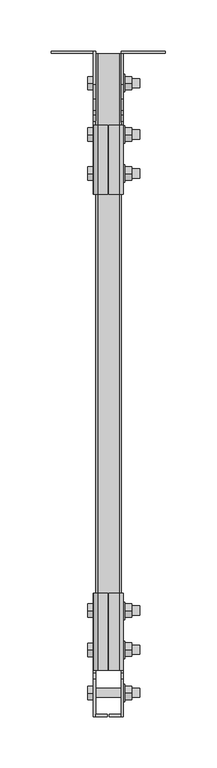
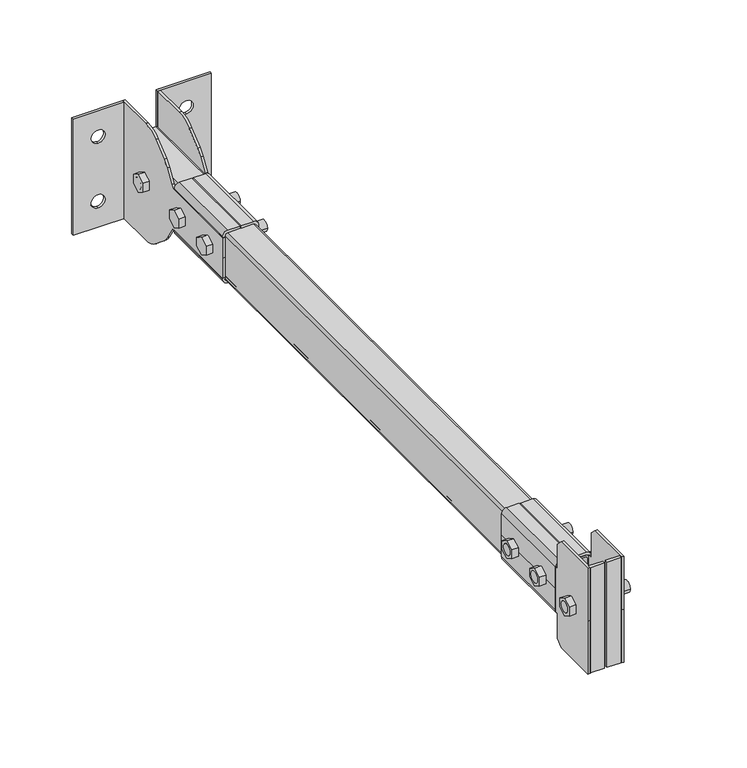
"""IFC4 building model written with IfcOpenShell, lengths in millimetres: proxy geometry."""

from ifc_helpers import new_model, si_unit, point, frame, frame_2d, origin, place, context, project, spatial, polyline, circle_curve, trimmed, segment, composite_curve, outline, extrude, source, transform, mapped, element, save


def generic_models_f2a655a5(model_context):
    return source(origin(), model_context, "Body", "SweptSolid", [
        extrude(outline(composite_curve([segment(trimmed(circle_curve(frame_2d((-544.5190981, 0.0)), 8.5), [point((-553.0190981, 0.0))], [point((-536.0190981, 0.0))], False, "CARTESIAN"), True, "CONTINUOUS"), segment(trimmed(circle_curve(frame_2d((-544.5190981, 0.0)), 8.5), [point((-536.0190981, 0.0))], [point((-553.0190981, 0.0))], False, "CARTESIAN"), True, "CONTINUOUS")], self_intersect=False)), frame((14.5, 0.0, 0.0), z_axis=(1.0, 0.0, 0.0), x_axis=(0.0, 1.0, 0.0)), (0.0, 0.0, 1.0), 1.6),
        extrude(outline(composite_curve([segment(trimmed(circle_curve(frame_2d((-582.4878481, 0.0)), 8.5), [point((-590.9878481, 0.0))], [point((-573.9878481, 0.0))], False, "CARTESIAN"), True, "CONTINUOUS"), segment(trimmed(circle_curve(frame_2d((-582.4878481, 0.0)), 8.5), [point((-573.9878481, 0.0))], [point((-590.9878481, 0.0))], False, "CARTESIAN"), True, "CONTINUOUS")], self_intersect=False)), frame((14.5, 0.0, 0.0), z_axis=(1.0, 0.0, 0.0), x_axis=(0.0, 1.0, 0.0)), (0.0, 0.0, 1.0), 1.6),
        extrude(outline(composite_curve([segment(trimmed(circle_curve(frame_2d((-624.4837978, 0.0)), 8.5), [point((-632.9837978, 0.0))], [point((-615.9837978, 0.0))], False, "CARTESIAN"), True, "CONTINUOUS"), segment(trimmed(circle_curve(frame_2d((-624.4837978, 0.0)), 8.5), [point((-615.9837978, 0.0))], [point((-632.9837978, 0.0))], False, "CARTESIAN"), True, "CONTINUOUS")], self_intersect=False)), frame((14.5, 0.0, 0.0), z_axis=(1.0, 0.0, 0.0), x_axis=(0.0, 1.0, 0.0)), (0.0, 0.0, 1.0), 1.6),
        extrude(outline(polyline([(-550.7114038, 3.7527767), (-544.2114038, 7.5055535), (-537.7114038, 3.7527767), (-537.7114038, -3.7527767), (-544.2114038, -7.5055535), (-550.7114038, -3.7527767), (-550.7114038, 3.7527767)])), frame((16.1, 0.0, 0.0), z_axis=(1.0, 0.0, 0.0), x_axis=(0.0, 1.0, 0.0)), (0.0, 0.0, 1.0), 6.5),
        extrude(outline(polyline([(-588.8364038, 3.7527767), (-582.3364038, 7.5055535), (-575.8364038, 3.7527767), (-575.8364038, -3.7527767), (-582.3364038, -7.5055535), (-588.8364038, -3.7527767), (-588.8364038, 3.7527767)])), frame((16.1, 0.0, 0.0), z_axis=(1.0, 0.0, 0.0), x_axis=(0.0, 1.0, 0.0)), (0.0, 0.0, 1.0), 6.5),
        extrude(outline(polyline([(-630.9131294, 3.7527767), (-624.4131294, 7.5055535), (-617.9131294, 3.7527767), (-617.9131294, -3.7527767), (-624.4131294, -7.5055535), (-630.9131294, -3.7527767), (-630.9131294, 3.7527767)])), frame((16.1, 0.0, 0.0), z_axis=(1.0, 0.0, 0.0), x_axis=(0.0, 1.0, 0.0)), (0.0, 0.0, 1.0), 6.5),
        extrude(outline(composite_curve([segment(trimmed(circle_curve(frame_2d((-544.3267454, 0.0)), 4.515429), [point((-548.8421745, 0.0))], [point((-539.8113164, 0.0))], False, "CARTESIAN"), True, "CONTINUOUS"), segment(trimmed(circle_curve(frame_2d((-544.3267454, 0.0)), 4.515429), [point((-539.8113164, 0.0))], [point((-548.8421745, 0.0))], False, "CARTESIAN"), True, "CONTINUOUS")], self_intersect=False)), frame((-20.0, 0.0, 0.0), z_axis=(1.0, 0.0, 0.0), x_axis=(0.0, 1.0, 0.0)), (0.0, 0.0, 1.0), 50.5),
        extrude(outline(composite_curve([segment(trimmed(circle_curve(frame_2d((-582.4517454, 0.0)), 4.515429), [point((-586.9671745, 0.0))], [point((-577.9363164, 0.0))], False, "CARTESIAN"), True, "CONTINUOUS"), segment(trimmed(circle_curve(frame_2d((-582.4517454, 0.0)), 4.515429), [point((-577.9363164, 0.0))], [point((-586.9671745, 0.0))], False, "CARTESIAN"), True, "CONTINUOUS")], self_intersect=False)), frame((-20.0, 0.0, 0.0), z_axis=(1.0, 0.0, 0.0), x_axis=(0.0, 1.0, 0.0)), (0.0, 0.0, 1.0), 50.5),
        extrude(outline(composite_curve([segment(trimmed(circle_curve(frame_2d((-624.3579954, 0.0)), 4.515429), [point((-628.8734245, 0.0))], [point((-619.8425664, 0.0))], False, "CARTESIAN"), True, "CONTINUOUS"), segment(trimmed(circle_curve(frame_2d((-624.3579954, 0.0)), 4.515429), [point((-619.8425664, 0.0))], [point((-628.8734245, 0.0))], False, "CARTESIAN"), True, "CONTINUOUS")], self_intersect=False)), frame((-20.0, 0.0, 0.0), z_axis=(1.0, 0.0, 0.0), x_axis=(0.0, 1.0, 0.0)), (0.0, 0.0, 1.0), 50.5),
        extrude(outline(polyline([(-550.7114038, 3.7527767), (-544.2114038, 7.5055535), (-537.7114038, 3.7527767), (-537.7114038, -3.7527767), (-544.2114038, -7.5055535), (-550.7114038, -3.7527767), (-550.7114038, 3.7527767)])), frame((-20.0, 0.0, 0.0), z_axis=(1.0, 0.0, 0.0), x_axis=(0.0, 1.0, 0.0)), (0.0, 0.0, 1.0), 5.5),
        extrude(outline(polyline([(-589.1489038, 3.7527767), (-582.6489038, 7.5055535), (-576.1489038, 3.7527767), (-576.1489038, -3.7527767), (-582.6489038, -7.5055535), (-589.1489038, -3.7527767), (-589.1489038, 3.7527767)])), frame((-20.0, 0.0, 0.0), z_axis=(1.0, 0.0, 0.0), x_axis=(0.0, 1.0, 0.0)), (0.0, 0.0, 1.0), 5.5),
        extrude(outline(polyline([(-631.0693794, 3.7527767), (-624.5693794, 7.5055535), (-618.0693794, 3.7527767), (-618.0693794, -3.7527767), (-624.5693794, -7.5055535), (-631.0693794, -3.7527767), (-631.0693794, 3.7527767)])), frame((-20.0, 0.0, 0.0), z_axis=(1.0, 0.0, 0.0), x_axis=(0.0, 1.0, 0.0)), (0.0, 0.0, 1.0), 5.5),
        extrude(outline(polyline([(-647.4951628, 45.0), (-610.4972368, 45.0), (-605.4972368, 40.0), (-605.4972368, 19.0), (-602.4972368, 19.0), (-602.4972368, 17.0099611), (-527.4972368, 17.0099611), (-527.4972368, 0.0), (-527.4972368, -17.0099611), (-602.4972368, -17.0099611), (-602.4972368, -19.0), (-605.4972368, -19.0), (-605.4972368, -40.0), (-610.4972368, -45.0), (-647.4951628, -45.0), (-647.4951628, 0.0), (-647.4951628, 45.0)])), frame((12.5, 0.0, 0.0), z_axis=(1.0, 0.0, 0.0), x_axis=(0.0, 1.0, 0.0)), (0.0, 0.0, 1.0), 2.0),
        extrude(outline(composite_curve([segment(polyline([(0.0, 0.0), (0.0, -49.4), (-31.8427762, -49.4)]), True, "CONTINUOUS"), segment(trimmed(circle_curve(frame_2d((-31.8427762, -27.5454861)), 21.8545139), [point((-31.8427762, -49.4))], [point((-45.8906762, -44.2869401))], False, "CARTESIAN"), True, "CONTINUOUS"), segment(polyline([(-45.8906762, -44.2869401), (-57.508691, -34.5381626)]), True, "CONTINUOUS"), segment(trimmed(circle_curve(frame_2d((-45.0543342, -19.6957988)), 19.3754166), [point((-57.508691, -34.5381626))], [point((-61.6686175, -29.6643674))], False, "CARTESIAN"), True, "CONTINUOUS"), segment(polyline([(-61.6686175, -29.6643674), (-67.8107241, -19.4275215)]), True, "CONTINUOUS"), segment(trimmed(circle_curve(frame_2d((-72.0981889, -22.0)), 5.0), [point((-67.8107241, -19.4275215))], [point((-72.0981889, -17.0))], True, "CARTESIAN"), True, "CONTINUOUS"), segment(polyline([(-72.0981889, -17.0), (-138.9972368, -17.0), (-138.9972368, 0.0), (-138.9972368, 17.0), (-72.0981889, 17.0)]), True, "CONTINUOUS"), segment(trimmed(circle_curve(frame_2d((-72.0981889, 22.0)), 5.0), [point((-72.0981889, 17.0))], [point((-67.8107241, 19.4275215))], True, "CARTESIAN"), True, "CONTINUOUS"), segment(polyline([(-67.8107241, 19.4275215), (-61.6686175, 29.6643674)]), True, "CONTINUOUS"), segment(trimmed(circle_curve(frame_2d((-45.0543342, 19.6957988)), 19.3754166), [point((-61.6686175, 29.6643674))], [point((-57.508691, 34.5381626))], False, "CARTESIAN"), True, "CONTINUOUS"), segment(polyline([(-57.508691, 34.5381626), (-45.8906762, 44.2869401)]), True, "CONTINUOUS"), segment(trimmed(circle_curve(frame_2d((-31.8427762, 27.5454861)), 21.8545139), [point((-45.8906762, 44.2869401))], [point((-31.8427762, 49.4))], False, "CARTESIAN"), True, "CONTINUOUS"), segment(polyline([(-31.8427762, 49.4), (0.0, 49.4), (0.0, 0.0)]), True, "CONTINUOUS")], self_intersect=False)), frame((-14.5, 0.0, 0.0), z_axis=(1.0, 0.0, 0.0), x_axis=(0.0, 1.0, 0.0)), (0.0, 0.0, 1.0), 2.0),
        extrude(outline(polyline([(-1.002074, -647.4951628), (-12.5, -647.4951628), (-12.5, -644.9951628), (-1.002074, -644.9951628), (-1.002074, -647.4951628)])), frame((0.0, 0.0, -44.7208203), z_axis=(0.0, 0.0, 1.0), x_axis=(1.0, 0.0, 0.0)), (0.0, 0.0, 1.0), 89.4416407),
        extrude(outline(polyline([(1.002074, -647.4951628), (1.002074, -644.9951628), (12.5, -644.9951628), (12.5, -647.4951628), (1.002074, -647.4951628)])), frame((0.0, 0.0, -44.7208203), z_axis=(0.0, 0.0, 1.0), x_axis=(1.0, 0.0, 0.0)), (0.0, 0.0, 1.0), 89.4416407),
        extrude(outline(polyline([(-37.4972368, 3.7527767), (-30.9972368, 7.5055535), (-24.4972368, 3.7527767), (-24.4972368, -3.7527767), (-30.9972368, -7.5055535), (-37.4972368, -3.7527767), (-37.4972368, 3.7527767)])), frame((16.1, 0.0, 0.0), z_axis=(1.0, 0.0, 0.0), x_axis=(0.0, 1.0, 0.0)), (0.0, 0.0, 1.0), 6.5),
        extrude(outline(polyline([(-87.4972368, 3.7527767), (-80.9972368, 7.5055535), (-74.4972368, 3.7527767), (-74.4972368, -3.7527767), (-80.9972368, -7.5055535), (-87.4972368, -3.7527767), (-87.4972368, 3.7527767)])), frame((16.1, 0.0, 0.0), z_axis=(1.0, 0.0, 0.0), x_axis=(0.0, 1.0, 0.0)), (0.0, 0.0, 1.0), 6.5),
        extrude(outline(polyline([(-125.5114624, 3.7527767), (-119.0114624, 7.5055535), (-112.5114624, 3.7527767), (-112.5114624, -3.7527767), (-119.0114624, -7.5055535), (-125.5114624, -3.7527767), (-125.5114624, 3.7527767)])), frame((16.1, 0.0, 0.0), z_axis=(1.0, 0.0, 0.0), x_axis=(0.0, 1.0, 0.0)), (0.0, 0.0, 1.0), 6.5),
        extrude(outline(composite_curve([segment(trimmed(circle_curve(frame_2d((-30.9972368, 0.0)), 8.5), [point((-39.4972368, 0.0))], [point((-22.4972368, 0.0))], False, "CARTESIAN"), True, "CONTINUOUS"), segment(trimmed(circle_curve(frame_2d((-30.9972368, 0.0)), 8.5), [point((-22.4972368, 0.0))], [point((-39.4972368, 0.0))], False, "CARTESIAN"), True, "CONTINUOUS")], self_intersect=False)), frame((14.5, 0.0, 0.0), z_axis=(1.0, 0.0, 0.0), x_axis=(0.0, 1.0, 0.0)), (0.0, 0.0, 1.0), 1.6),
        extrude(outline(composite_curve([segment(trimmed(circle_curve(frame_2d((-80.9972368, 0.0)), 8.5), [point((-89.4972368, 0.0))], [point((-72.4972368, 0.0))], False, "CARTESIAN"), True, "CONTINUOUS"), segment(trimmed(circle_curve(frame_2d((-80.9972368, 0.0)), 8.5), [point((-72.4972368, 0.0))], [point((-89.4972368, 0.0))], False, "CARTESIAN"), True, "CONTINUOUS")], self_intersect=False)), frame((14.5, 0.0, 0.0), z_axis=(1.0, 0.0, 0.0), x_axis=(0.0, 1.0, 0.0)), (0.0, 0.0, 1.0), 1.6),
        extrude(outline(composite_curve([segment(trimmed(circle_curve(frame_2d((-119.0088115, 0.0)), 8.5), [point((-127.5088115, 0.0))], [point((-110.5088115, 0.0))], False, "CARTESIAN"), True, "CONTINUOUS"), segment(trimmed(circle_curve(frame_2d((-119.0088115, 0.0)), 8.5), [point((-110.5088115, 0.0))], [point((-127.5088115, 0.0))], False, "CARTESIAN"), True, "CONTINUOUS")], self_intersect=False)), frame((14.5, 0.0, 0.0), z_axis=(1.0, 0.0, 0.0), x_axis=(0.0, 1.0, 0.0)), (0.0, 0.0, 1.0), 1.6),
        extrude(outline(polyline([(-37.4972368, 3.7527767), (-30.9972368, 7.5055535), (-24.4972368, 3.7527767), (-24.4972368, -3.7527767), (-30.9972368, -7.5055535), (-37.4972368, -3.7527767), (-37.4972368, 3.7527767)])), frame((-20.0, 0.0, 0.0), z_axis=(1.0, 0.0, 0.0), x_axis=(0.0, 1.0, 0.0)), (0.0, 0.0, 1.0), 5.5),
        extrude(outline(polyline([(-87.4972368, 3.7527767), (-80.9972368, 7.5055535), (-74.4972368, 3.7527767), (-74.4972368, -3.7527767), (-80.9972368, -7.5055535), (-87.4972368, -3.7527767), (-87.4972368, 3.7527767)])), frame((-20.0, 0.0, 0.0), z_axis=(1.0, 0.0, 0.0), x_axis=(0.0, 1.0, 0.0)), (0.0, 0.0, 1.0), 5.5),
        extrude(outline(polyline([(-125.5114624, 3.7527767), (-119.0114624, 7.5055535), (-112.5114624, 3.7527767), (-112.5114624, -3.7527767), (-119.0114624, -7.5055535), (-125.5114624, -3.7527767), (-125.5114624, 3.7527767)])), frame((-20.0, 0.0, 0.0), z_axis=(1.0, 0.0, 0.0), x_axis=(0.0, 1.0, 0.0)), (0.0, 0.0, 1.0), 5.5),
        extrude(outline(composite_curve([segment(trimmed(circle_curve(frame_2d((-30.9538006, 0.0)), 4.515429), [point((-35.4692297, 0.0))], [point((-26.4383716, 0.0))], False, "CARTESIAN"), True, "CONTINUOUS"), segment(trimmed(circle_curve(frame_2d((-30.9538006, 0.0)), 4.515429), [point((-26.4383716, 0.0))], [point((-35.4692297, 0.0))], False, "CARTESIAN"), True, "CONTINUOUS")], self_intersect=False)), frame((-20.0, 0.0, 0.0), z_axis=(1.0, 0.0, 0.0), x_axis=(0.0, 1.0, 0.0)), (0.0, 0.0, 1.0), 50.5),
        extrude(outline(composite_curve([segment(trimmed(circle_curve(frame_2d((-80.9538006, 0.0)), 4.515429), [point((-85.4692297, 0.0))], [point((-76.4383716, 0.0))], False, "CARTESIAN"), True, "CONTINUOUS"), segment(trimmed(circle_curve(frame_2d((-80.9538006, 0.0)), 4.515429), [point((-76.4383716, 0.0))], [point((-85.4692297, 0.0))], False, "CARTESIAN"), True, "CONTINUOUS")], self_intersect=False)), frame((-20.0, 0.0, 0.0), z_axis=(1.0, 0.0, 0.0), x_axis=(0.0, 1.0, 0.0)), (0.0, 0.0, 1.0), 50.5),
        extrude(outline(composite_curve([segment(trimmed(circle_curve(frame_2d((-118.9538006, 0.0)), 4.515429), [point((-123.4692297, 0.0))], [point((-114.4383716, 0.0))], False, "CARTESIAN"), True, "CONTINUOUS"), segment(trimmed(circle_curve(frame_2d((-118.9538006, 0.0)), 4.515429), [point((-114.4383716, 0.0))], [point((-123.4692297, 0.0))], False, "CARTESIAN"), True, "CONTINUOUS")], self_intersect=False)), frame((-20.0, 0.0, 0.0), z_axis=(1.0, 0.0, 0.0), x_axis=(0.0, 1.0, 0.0)), (0.0, 0.0, 1.0), 50.5),
        extrude(outline(composite_curve([segment(polyline([(-22.2499979, -10.5), (-22.2499979, -0.5055263), (-20.2499979, -0.5055263), (-20.2499979, -10.5)]), True, "CONTINUOUS"), segment(trimmed(circle_curve(frame_2d((-18.2499979, -10.5)), 2.0), [point((-20.2499979, -10.5))], [point((-18.2499979, -12.5))], True, "CARTESIAN"), True, "CONTINUOUS"), segment(polyline([(-18.2499979, -12.5), (0.0, -12.5), (18.2499979, -12.5)]), True, "CONTINUOUS"), segment(trimmed(circle_curve(frame_2d((18.2499979, -10.5)), 2.0), [point((18.2499979, -12.5))], [point((20.2499979, -10.5))], True, "CARTESIAN"), True, "CONTINUOUS"), segment(polyline([(20.2499979, -10.5), (20.2499979, -0.5055263), (22.2499979, -0.5055263), (22.2499979, -10.5)]), True, "CONTINUOUS"), segment(trimmed(circle_curve(frame_2d((18.2499979, -10.5)), 4.0), [point((22.2499979, -10.5))], [point((18.2499979, -14.5))], False, "CARTESIAN"), True, "CONTINUOUS"), segment(polyline([(18.2499979, -14.5), (0.0, -14.5), (-18.2499979, -14.5)]), True, "CONTINUOUS"), segment(trimmed(circle_curve(frame_2d((-18.2499979, -10.5)), 4.0), [point((-18.2499979, -14.5))], [point((-22.2499979, -10.5))], False, "CARTESIAN"), True, "CONTINUOUS")], self_intersect=False)), frame((0.0, -602.4972368, 0.0), z_axis=(0.0, 1.0, 0.0), x_axis=(0.0, 0.0, 1.0)), (0.0, 0.0, 1.0), 75.0),
        extrude(outline(composite_curve([segment(trimmed(circle_curve(frame_2d((-18.2499979, 10.5)), 4.0), [point((-22.2499979, 10.5))], [point((-18.2499979, 14.5))], False, "CARTESIAN"), True, "CONTINUOUS"), segment(polyline([(-18.2499979, 14.5), (0.0, 14.5), (18.2499979, 14.5)]), True, "CONTINUOUS"), segment(trimmed(circle_curve(frame_2d((18.2499979, 10.5)), 4.0), [point((18.2499979, 14.5))], [point((22.2499979, 10.5))], False, "CARTESIAN"), True, "CONTINUOUS"), segment(polyline([(22.2499979, 10.5), (22.2499979, 0.5055263), (20.2499979, 0.5055263), (20.2499979, 10.5)]), True, "CONTINUOUS"), segment(trimmed(circle_curve(frame_2d((18.2499979, 10.5)), 2.0), [point((20.2499979, 10.5))], [point((18.2499979, 12.5))], True, "CARTESIAN"), True, "CONTINUOUS"), segment(polyline([(18.2499979, 12.5), (0.0, 12.5), (-18.2499979, 12.5)]), True, "CONTINUOUS"), segment(trimmed(circle_curve(frame_2d((-18.2499979, 10.5)), 2.0), [point((-18.2499979, 12.5))], [point((-20.2499979, 10.5))], True, "CARTESIAN"), True, "CONTINUOUS"), segment(polyline([(-20.2499979, 10.5), (-20.2499979, 0.5055263), (-22.2499979, 0.5055263), (-22.2499979, 10.5)]), True, "CONTINUOUS")], self_intersect=False)), frame((0.0, -602.4972368, 0.0), z_axis=(0.0, 1.0, 0.0), x_axis=(0.0, 0.0, 1.0)), (0.0, 0.0, 1.0), 75.0),
        extrude(outline(composite_curve([segment(polyline([(-22.2499979, -10.5), (-22.2499979, -0.5055263), (-20.2499979, -0.5055263), (-20.2499979, -10.5)]), True, "CONTINUOUS"), segment(trimmed(circle_curve(frame_2d((-18.2499979, -10.5)), 2.0), [point((-20.2499979, -10.5))], [point((-18.2499979, -12.5))], True, "CARTESIAN"), True, "CONTINUOUS"), segment(polyline([(-18.2499979, -12.5), (0.0, -12.5), (18.2499979, -12.5)]), True, "CONTINUOUS"), segment(trimmed(circle_curve(frame_2d((18.2499979, -10.5)), 2.0), [point((18.2499979, -12.5))], [point((20.2499979, -10.5))], True, "CARTESIAN"), True, "CONTINUOUS"), segment(polyline([(20.2499979, -10.5), (20.2499979, -0.5055263), (22.2499979, -0.5055263), (22.2499979, -10.5)]), True, "CONTINUOUS"), segment(trimmed(circle_curve(frame_2d((18.2499979, -10.5)), 4.0), [point((22.2499979, -10.5))], [point((18.2499979, -14.5))], False, "CARTESIAN"), True, "CONTINUOUS"), segment(polyline([(18.2499979, -14.5), (0.0, -14.5), (-18.2499979, -14.5)]), True, "CONTINUOUS"), segment(trimmed(circle_curve(frame_2d((-18.2499979, -10.5)), 4.0), [point((-18.2499979, -14.5))], [point((-22.2499979, -10.5))], False, "CARTESIAN"), True, "CONTINUOUS")], self_intersect=False)), frame((0.0, -138.9972368, 0.0), z_axis=(0.0, 1.0, 0.0), x_axis=(0.0, 0.0, 1.0)), (0.0, 0.0, 1.0), 67.1690479),
        extrude(outline(composite_curve([segment(trimmed(circle_curve(frame_2d((-18.2499979, 10.5)), 4.0), [point((-22.2499979, 10.5))], [point((-18.2499979, 14.5))], False, "CARTESIAN"), True, "CONTINUOUS"), segment(polyline([(-18.2499979, 14.5), (0.0, 14.5), (18.2499979, 14.5)]), True, "CONTINUOUS"), segment(trimmed(circle_curve(frame_2d((18.2499979, 10.5)), 4.0), [point((18.2499979, 14.5))], [point((22.2499979, 10.5))], False, "CARTESIAN"), True, "CONTINUOUS"), segment(polyline([(22.2499979, 10.5), (22.2499979, 0.5055263), (20.2499979, 0.5055263), (20.2499979, 10.5)]), True, "CONTINUOUS"), segment(trimmed(circle_curve(frame_2d((18.2499979, 10.5)), 2.0), [point((20.2499979, 10.5))], [point((18.2499979, 12.5))], True, "CARTESIAN"), True, "CONTINUOUS"), segment(polyline([(18.2499979, 12.5), (0.0, 12.5), (-18.2499979, 12.5)]), True, "CONTINUOUS"), segment(trimmed(circle_curve(frame_2d((-18.2499979, 10.5)), 2.0), [point((-18.2499979, 12.5))], [point((-20.2499979, 10.5))], True, "CARTESIAN"), True, "CONTINUOUS"), segment(polyline([(-20.2499979, 10.5), (-20.2499979, 0.5055263), (-22.2499979, 0.5055263), (-22.2499979, 10.5)]), True, "CONTINUOUS")], self_intersect=False)), frame((0.0, -138.9972368, 0.0), z_axis=(0.0, 1.0, 0.0), x_axis=(0.0, 0.0, 1.0)), (0.0, 0.0, 1.0), 67.1690479),
        extrude(outline(polyline([(49.4, -12.5), (49.4, -55.4972347), (-49.4, -55.4972347), (-49.4, -12.5), (49.4, -12.5)]), holes=[composite_curve([segment(trimmed(circle_curve(frame_2d((27.4914774, -35.4629887)), 5.5219905), [point((21.9694868, -35.4629887))], [point((33.0134679, -35.4629887))], True, "CARTESIAN"), True, "CONTINUOUS"), segment(trimmed(circle_curve(frame_2d((27.4914774, -35.4629887)), 5.5219905), [point((33.0134679, -35.4629887))], [point((21.9694868, -35.4629887))], True, "CARTESIAN"), True, "CONTINUOUS")], self_intersect=False), composite_curve([segment(trimmed(circle_curve(frame_2d((-27.4914774, -35.4629887)), 5.5219905), [point((-33.0134679, -35.4629887))], [point((-21.9694868, -35.4629887))], True, "CARTESIAN"), True, "CONTINUOUS"), segment(trimmed(circle_curve(frame_2d((-27.4914774, -35.4629887)), 5.5219905), [point((-21.9694868, -35.4629887))], [point((-33.0134679, -35.4629887))], True, "CARTESIAN"), True, "CONTINUOUS")], self_intersect=False)]), frame((0.0, -2.0, 0.0), z_axis=(0.0, 1.0, 0.0), x_axis=(0.0, 0.0, 1.0)), (0.0, 0.0, 1.0), 2.0),
        extrude(outline(polyline([(49.4, 12.5), (-49.4, 12.5), (-49.4, 55.4972347), (49.4, 55.4972347), (49.4, 12.5)]), holes=[composite_curve([segment(trimmed(circle_curve(frame_2d((27.4914774, 35.4629887)), 5.5219905), [point((21.9694868, 35.4629887))], [point((33.0134679, 35.4629887))], True, "CARTESIAN"), True, "CONTINUOUS"), segment(trimmed(circle_curve(frame_2d((27.4914774, 35.4629887)), 5.5219905), [point((33.0134679, 35.4629887))], [point((21.9694868, 35.4629887))], True, "CARTESIAN"), True, "CONTINUOUS")], self_intersect=False), composite_curve([segment(trimmed(circle_curve(frame_2d((-27.4914774, 35.4629887)), 5.5219905), [point((-33.0134679, 35.4629887))], [point((-21.9694868, 35.4629887))], True, "CARTESIAN"), True, "CONTINUOUS"), segment(trimmed(circle_curve(frame_2d((-27.4914774, 35.4629887)), 5.5219905), [point((-21.9694868, 35.4629887))], [point((-33.0134679, 35.4629887))], True, "CARTESIAN"), True, "CONTINUOUS")], self_intersect=False)]), frame((0.0, -2.0, 0.0), z_axis=(0.0, 1.0, 0.0), x_axis=(0.0, 0.0, 1.0)), (0.0, 0.0, 1.0), 2.0),
        extrude(outline(polyline([(-647.4951628, 45.0), (-610.4972368, 45.0), (-605.4972368, 40.0), (-605.4972368, 19.0), (-602.4972368, 19.0), (-602.4972368, 17.0099611), (-527.4972368, 17.0099611), (-527.4972368, 0.0), (-527.4972368, -17.0099611), (-602.4972368, -17.0099611), (-602.4972368, -19.0), (-605.4972368, -19.0), (-605.4972368, -40.0), (-610.4972368, -45.0), (-647.4951628, -45.0), (-647.4951628, 0.0), (-647.4951628, 45.0)])), frame((-14.5, 0.0, 0.0), z_axis=(1.0, 0.0, 0.0), x_axis=(0.0, 1.0, 0.0)), (0.0, 0.0, 1.0), 2.0),
        extrude(outline(composite_curve([segment(polyline([(0.0, 0.0), (0.0, -49.4), (-31.8427762, -49.4)]), True, "CONTINUOUS"), segment(trimmed(circle_curve(frame_2d((-31.8427762, -27.5454861)), 21.8545139), [point((-31.8427762, -49.4))], [point((-45.8906762, -44.2869401))], False, "CARTESIAN"), True, "CONTINUOUS"), segment(polyline([(-45.8906762, -44.2869401), (-57.508691, -34.5381626)]), True, "CONTINUOUS"), segment(trimmed(circle_curve(frame_2d((-45.0543342, -19.6957988)), 19.3754166), [point((-57.508691, -34.5381626))], [point((-61.6686175, -29.6643674))], False, "CARTESIAN"), True, "CONTINUOUS"), segment(polyline([(-61.6686175, -29.6643674), (-67.8107241, -19.4275215)]), True, "CONTINUOUS"), segment(trimmed(circle_curve(frame_2d((-72.0981889, -22.0)), 5.0), [point((-67.8107241, -19.4275215))], [point((-72.0981889, -17.0))], True, "CARTESIAN"), True, "CONTINUOUS"), segment(polyline([(-72.0981889, -17.0), (-138.9972368, -17.0), (-138.9972368, 0.0), (-138.9972368, 17.0), (-72.0981889, 17.0)]), True, "CONTINUOUS"), segment(trimmed(circle_curve(frame_2d((-72.0981889, 22.0)), 5.0), [point((-72.0981889, 17.0))], [point((-67.8107241, 19.4275215))], True, "CARTESIAN"), True, "CONTINUOUS"), segment(polyline([(-67.8107241, 19.4275215), (-61.6686175, 29.6643674)]), True, "CONTINUOUS"), segment(trimmed(circle_curve(frame_2d((-45.0543342, 19.6957988)), 19.3754166), [point((-61.6686175, 29.6643674))], [point((-57.508691, 34.5381626))], False, "CARTESIAN"), True, "CONTINUOUS"), segment(polyline([(-57.508691, 34.5381626), (-45.8906762, 44.2869401)]), True, "CONTINUOUS"), segment(trimmed(circle_curve(frame_2d((-31.8427762, 27.5454861)), 21.8545139), [point((-45.8906762, 44.2869401))], [point((-31.8427762, 49.4))], False, "CARTESIAN"), True, "CONTINUOUS"), segment(polyline([(-31.8427762, 49.4), (0.0, 49.4), (0.0, 0.0)]), True, "CONTINUOUS")], self_intersect=False)), frame((12.5, 0.0, 0.0), z_axis=(1.0, 0.0, 0.0), x_axis=(0.0, 1.0, 0.0)), (0.0, 0.0, 1.0), 2.0),
        extrude(outline(composite_curve([segment(trimmed(circle_curve(frame_2d((-18.0, 10.5)), 2.0), [point((-20.0, 10.5))], [point((-18.0, 12.5))], False, "CARTESIAN"), True, "CONTINUOUS"), segment(polyline([(-18.0, 12.5), (18.0, 12.5)]), True, "CONTINUOUS"), segment(trimmed(circle_curve(frame_2d((18.0, 10.5)), 2.0), [point((18.0, 12.5))], [point((20.0, 10.5))], False, "CARTESIAN"), True, "CONTINUOUS"), segment(polyline([(20.0, 10.5), (20.0, -10.5)]), True, "CONTINUOUS"), segment(trimmed(circle_curve(frame_2d((18.0, -10.5)), 2.0), [point((20.0, -10.5))], [point((18.0, -12.5))], False, "CARTESIAN"), True, "CONTINUOUS"), segment(polyline([(18.0, -12.5), (-18.0, -12.5)]), True, "CONTINUOUS"), segment(trimmed(circle_curve(frame_2d((-18.0, -10.5)), 2.0), [point((-18.0, -12.5))], [point((-20.0, -10.5))], False, "CARTESIAN"), True, "CONTINUOUS"), segment(polyline([(-20.0, -10.5), (-20.0, 10.5)]), True, "CONTINUOUS")], self_intersect=False), holes=[composite_curve([segment(polyline([(-17.0, -11.0), (17.0450574, -11.0)]), True, "CONTINUOUS"), segment(trimmed(circle_curve(frame_2d((17.0450574, -9.5450574)), 1.4549426), [point((17.0450574, -11.0))], [point((18.5, -9.5450574))], True, "CARTESIAN"), True, "CONTINUOUS"), segment(polyline([(18.5, -9.5450574), (18.5, 9.5099611)]), True, "CONTINUOUS"), segment(trimmed(circle_curve(frame_2d((17.0099611, 9.5099611)), 1.4900389), [point((18.5, 9.5099611))], [point((17.0099611, 11.0))], True, "CARTESIAN"), True, "CONTINUOUS"), segment(polyline([(17.0099611, 11.0), (-17.0, 11.0)]), True, "CONTINUOUS"), segment(trimmed(circle_curve(frame_2d((-17.0, 9.5)), 1.5), [point((-17.0, 11.0))], [point((-18.5, 9.5))], True, "CARTESIAN"), True, "CONTINUOUS"), segment(polyline([(-18.5, 9.5), (-18.5, -9.5)]), True, "CONTINUOUS"), segment(trimmed(circle_curve(frame_2d((-17.0, -9.5)), 1.5), [point((-18.5, -9.5))], [point((-17.0, -11.0))], True, "CARTESIAN"), True, "CONTINUOUS")], self_intersect=False)]), frame((0.0, -602.4972368, 0.0), z_axis=(0.0, 1.0, 0.0), x_axis=(0.0, 0.0, 1.0)), (0.0, 0.0, 1.0), 600.0),
    ])


if __name__ == "__main__":
    model = new_model("IFC4")
    model_context = context("Model", 3, world=origin())
    ifc_project = project(units=[si_unit("LENGTHUNIT", "METRE", prefix="MILLI")], contexts=[model_context])
    site = spatial("IfcSite", under=ifc_project)
    building = spatial("IfcBuilding", under=site)
    placement = place(None, origin())
    generic_models_shape = generic_models_f2a655a5(model_context)
    element("IfcBuildingElementProxy", 1, Name="Generic Models", at=placement, inside=building, context=model_context, shape_type="MappedRepresentation", body=[
        mapped(generic_models_shape, transform((0.0, 0.0, 0.0), x_axis=(1.0, 0.0, 0.0), y_axis=(0.0, 1.0, 0.0), z_axis=(0.0, 0.0, 1.0))),
    ])
    save(model, "model.ifc")
